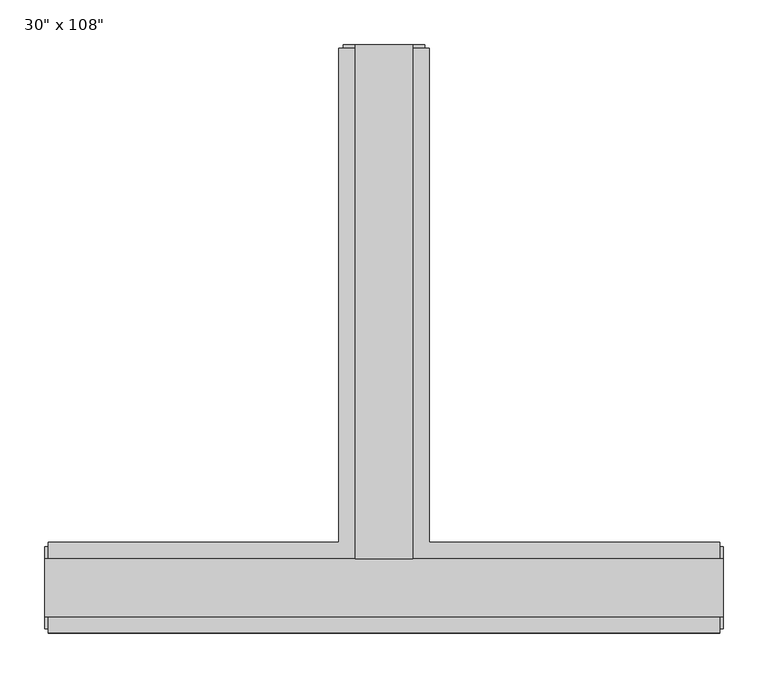
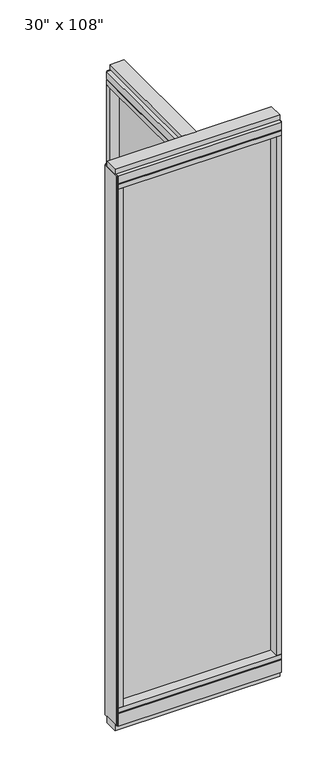
"""IFC4 building model written with IfcOpenShell, lengths in millimetres: furniture geometry."""

import ifcopenshell
import ifcopenshell.guid

model = None  # the IFC model being written
_history = None  # IfcOwnerHistory: only IFC2X3 demands one
_inside = {}  # id of a spatial element -> (the spatial element, [elements in it])
_under = {}  # id of a project, library or spatial element -> (it, [spatial elements below it])
_declared = {}  # id of a project -> (the project, [libraries it declares])
_typed = {}  # id of a type object -> (the type object, [elements of that type])
_made_of = {}  # id of a material, layer set ... -> (it, [elements and type objects made of it])


def new_model(schema):
    """Start an empty IFC model of exactly this schema.

    Asked for "IFC4X3", IfcOpenShell would pick the latest addendum, in which some entities
    have other attributes; the version numbers below select the first issue.
    IFC2X3 requires an IfcOwnerHistory on every rooted entity: one is made here for all.
    """
    global model, _history
    if schema == "IFC4X3":
        model = ifcopenshell.file(schema_version=(4, 3, 0, 0))
    else:
        model = ifcopenshell.file(schema=schema)
    _inside.clear()
    _under.clear()
    _declared.clear()
    _typed.clear()
    _made_of.clear()
    _history = None
    if model.schema == "IFC2X3":
        org = make("IfcOrganization", Name="unknown")
        user = make(
            "IfcPersonAndOrganization",
            ThePerson=make("IfcPerson", FamilyName="unknown"),
            TheOrganization=org,
        )
        app = make(
            "IfcApplication",
            ApplicationDeveloper=org,
            Version="unknown",
            ApplicationFullName="unknown",
            ApplicationIdentifier="unknown",
        )
        _history = make(
            "IfcOwnerHistory",
            OwningUser=user,
            OwningApplication=app,
            ChangeAction="ADDED",
            CreationDate=0,
        )
    return model


def make(cls, **values):
    """One entity of the class cls with the attributes given. An attribute that is None is left unset."""
    return model.create_entity(
        cls, **{name: value for name, value in values.items() if value is not None}
    )


def rooted(cls, **values):
    """An entity with a GlobalId (a new one), such as an element, a storey or a relation."""
    return make(cls, GlobalId=ifcopenshell.guid.new(), OwnerHistory=_history, **values)


def si_unit(unit_type, name, prefix=None):
    """IfcSIUnit, for example si_unit("LENGTHUNIT", "METRE", prefix="MILLI")."""
    return make("IfcSIUnit", UnitType=unit_type, Prefix=prefix, Name=name)


def assignment(units):
    """IfcUnitAssignment: the units of a project."""
    return None if units is None else make("IfcUnitAssignment", Units=units)


def point(xyz):
    """IfcCartesianPoint."""
    return None if xyz is None else make("IfcCartesianPoint", Coordinates=xyz)


def direction(xyz):
    """IfcDirection."""
    return None if xyz is None else make("IfcDirection", DirectionRatios=xyz)


def frame(location, z_axis=None, x_axis=None):
    """IfcAxis2Placement3D, a coordinate frame: its origin and axes. An axis left out is left unset."""
    return make(
        "IfcAxis2Placement3D",
        Location=point(location),
        Axis=direction(z_axis),
        RefDirection=direction(x_axis),
    )


def origin():
    """The frame at (0, 0, 0) with its axes left unset."""
    return frame((0.0, 0.0, 0.0))


def origin_with_axes():
    """The frame at (0, 0, 0) with the z axis (0, 0, 1) and the x axis (1, 0, 0) written out."""
    return frame((0.0, 0.0, 0.0), z_axis=(0.0, 0.0, 1.0), x_axis=(1.0, 0.0, 0.0))


def place(relative_to, where):
    """IfcLocalPlacement: puts the frame where relative to a parent placement (None: the world)."""
    return make(
        "IfcLocalPlacement", PlacementRelTo=relative_to, RelativePlacement=where
    )


def context(
    kind, dimensions, precision=None, world=None, true_north=None, identifier=None
):
    """IfcGeometricRepresentationContext, for example the 3D "Model" context."""
    return make(
        "IfcGeometricRepresentationContext",
        ContextIdentifier=identifier,
        ContextType=kind,
        CoordinateSpaceDimension=dimensions,
        Precision=precision,
        WorldCoordinateSystem=world,
        TrueNorth=true_north,
    )


def project(units=None, contexts=None):
    """IfcProject with its units and contexts."""
    return rooted(
        "IfcProject",
        Name="project",
        RepresentationContexts=contexts,
        UnitsInContext=assignment(units),
    )


def spatial(cls, under=None, at=None, **own):
    """A site, building, storey or space (cls), placed at a placement, below another one or the project."""
    s = rooted(cls, ObjectPlacement=at, **own)
    if under is not None:
        _under.setdefault(under.id(), (under, []))[1].append(s)
    return s


def polyline(points):
    """IfcPolyline through the points."""
    return make("IfcPolyline", Points=[point(p) for p in points])


def outline(outer, holes=None, kind="AREA"):
    """IfcArbitraryClosedProfileDef: a profile drawn as a closed curve; with holes, ...WithVoids."""
    if holes is None:
        return make("IfcArbitraryClosedProfileDef", ProfileType=kind, OuterCurve=outer)
    return make(
        "IfcArbitraryProfileDefWithVoids",
        ProfileType=kind,
        OuterCurve=outer,
        InnerCurves=holes,
    )


def extrude(swept, where, along, depth):
    """IfcExtrudedAreaSolid: the profile swept, set in the frame where, extruded along a direction by depth."""
    return make(
        "IfcExtrudedAreaSolid",
        SweptArea=swept,
        Position=where,
        ExtrudedDirection=direction(along),
        Depth=depth,
    )


def faces_of(points, faces, orient=None, outer=None):
    """IfcFace entities. A face is a list of loops; a loop is a list of indices into points, from 0.

    orient and outer hold one flag for each loop. By default every Orientation is true, the
    first loop of a face is its IfcFaceOuterBound and the others are IfcFaceBound.
    """
    made = []
    for i, loops in enumerate(faces):
        bounds = []
        for j, loop in enumerate(loops):
            is_outer = j == 0 if outer is None else outer[i][j]
            bounds.append(
                make(
                    "IfcFaceOuterBound" if is_outer else "IfcFaceBound",
                    Bound=make("IfcPolyLoop", Polygon=[points[k] for k in loop]),
                    Orientation=True if orient is None else orient[i][j],
                )
            )
        made.append(make("IfcFace", Bounds=bounds))
    return made


def faceted_brep(points, faces, orient=None, outer=None, voids=None):
    """IfcFacetedBrep: a solid bounded by flat faces; with voids (closed shells), ...WithVoids."""
    shared = [point(p) for p in points]
    hull = make("IfcClosedShell", CfsFaces=faces_of(shared, faces, orient, outer))
    if voids is None:
        return make("IfcFacetedBrep", Outer=hull)
    return make(
        "IfcFacetedBrepWithVoids",
        Outer=hull,
        Voids=[
            make(cls, CfsFaces=faces_of(shared, fs, o, b)) for cls, fs, o, b in voids
        ],
    )


def shape(context_of_items, identifier, shape_type, items):
    """IfcShapeRepresentation: the items that make up one representation, for example the "Body"."""
    return make(
        "IfcShapeRepresentation",
        ContextOfItems=context_of_items,
        RepresentationIdentifier=identifier,
        RepresentationType=shape_type,
        Items=items,
    )


def source(mapping_origin, context_of_items, identifier, shape_type, items):
    """IfcRepresentationMap: a shape defined once, which mapped items show again and again."""
    return make(
        "IfcRepresentationMap",
        MappingOrigin=mapping_origin,
        MappedRepresentation=shape(context_of_items, identifier, shape_type, items),
    )


def transform(
    local_origin,
    x_axis=None,
    y_axis=None,
    z_axis=None,
    scale=None,
    scale2=None,
    scale3=None,
    uniform=True,
):
    """IfcCartesianTransformationOperator3D, or its non-uniform kind. x_axis, y_axis, z_axis: its Axis1, 2, 3."""
    if uniform:
        return make(
            "IfcCartesianTransformationOperator3D",
            Axis1=direction(x_axis),
            Axis2=direction(y_axis),
            LocalOrigin=point(local_origin),
            Scale=scale,
            Axis3=direction(z_axis),
        )
    return make(
        "IfcCartesianTransformationOperator3DnonUniform",
        Axis1=direction(x_axis),
        Axis2=direction(y_axis),
        LocalOrigin=point(local_origin),
        Scale=scale,
        Axis3=direction(z_axis),
        Scale2=scale2,
        Scale3=scale3,
    )


def mapped(mapping_source, mapping_target):
    """IfcMappedItem: shows the shape of a source again, moved by a transform."""
    return make(
        "IfcMappedItem", MappingSource=mapping_source, MappingTarget=mapping_target
    )


def made_of(thing, what):
    """Note that an element or type object is made of a material, layer set ...; save() writes the relation."""
    if what is not None:
        _made_of.setdefault(what.id(), (what, []))[1].append(thing)
    return thing


def element(
    cls,
    number,
    at=None,
    inside=None,
    cuts=None,
    type_object=None,
    material=None,
    context=None,
    identifier="Body",
    shape_type=None,
    held_by="IfcProductDefinitionShape",
    body=None,
    shapes=None,
    **own,
):
    """One element of the class cls, such as IfcWall. Its Tag is "e" and its number.

    at: its placement. inside: the storey or other place that contains it. cuts: it is an
    opening in that element (IfcRelVoidsElement). A single representation is given by context,
    identifier, shape_type and body (its items); several are given by shapes. held_by: the class
    of the entity that holds the representations. save() writes the other relations.
    """
    e = rooted(cls, Tag="e%d" % number, ObjectPlacement=at, **own)
    if body is not None:
        shapes = [shape(context, identifier, shape_type, body)]
    if shapes is not None:
        e.Representation = make(held_by, Representations=shapes)
    if inside is not None:
        _inside.setdefault(inside.id(), (inside, []))[1].append(e)
    if cuts is not None:
        rooted(
            "IfcRelVoidsElement", RelatingBuildingElement=cuts, RelatedOpeningElement=e
        )
    if type_object is not None:
        _typed.setdefault(type_object.id(), (type_object, []))[1].append(e)
    return made_of(e, material)


def aggregate(whole, parts):
    """IfcRelAggregates: a whole, such as a stair, and the parts it consists of."""
    return rooted("IfcRelAggregates", RelatingObject=whole, RelatedObjects=parts)


def save(model, path):
    """Write the relations noted so far, then the file.

    IfcRelAggregates (storeys below a building ...), IfcRelContainedInSpatialStructure (elements
    in a storey), IfcRelDefinesByType, IfcRelAssociatesMaterial and IfcRelDeclares: one each for
    every whole, place, type object, material and project.
    """
    for whole, parts in _under.values():
        aggregate(whole, parts)
    for where, things in _inside.values():
        rooted(
            "IfcRelContainedInSpatialStructure",
            RelatedElements=things,
            RelatingStructure=where,
        )
    for kind, things in _typed.values():
        rooted("IfcRelDefinesByType", RelatedObjects=things, RelatingType=kind)
    for what, things in _made_of.values():
        rooted("IfcRelAssociatesMaterial", RelatedObjects=things, RelatingMaterial=what)
    for by, libraries in _declared.values():
        rooted("IfcRelDeclares", RelatingContext=by, RelatedDefinitions=libraries)
    model.write(path)


def furniture_9dcc1d1b(model_context):
    return source(origin(), model_context, "Body", "SolidModel", [
        extrude(outline(polyline([(-65.1165229, 0.5622784), (-65.1165229, 578.9202784), (-54.9565229, 578.9202784), (-54.9565229, 0.5622784), (-65.1165229, 0.5622784)])), frame((0.0, 0.0, 120.65), z_axis=(0.0, 0.0, 1.0), x_axis=(1.0, 0.0, 0.0)), (0.0, 0.0, 1.0), 2533.777),
        extrude(outline(polyline([(294.8014771, -9.5977216), (-414.8745229, -9.5977216), (-414.8745229, 0.5622784), (294.8014771, 0.5622784), (294.8014771, -9.5977216)])), frame((0.0, 0.0, 120.523), z_axis=(0.0, 0.0, 1.0), x_axis=(1.0, 0.0, 0.0)), (0.0, 0.0, 1.0), 2533.777),
        extrude(outline(polyline([(-110.8365229, 601.1452784), (-9.2365229, 601.1452784), (-9.2365229, 46.2822784), (317.0264771, 46.2822784), (317.0264771, -55.3177216), (-437.0995229, -55.3177216), (-437.0995229, 46.2822784), (-110.8365229, 46.2822784), (-110.8365229, 601.1452784)])), frame((0.0, 0.0, 2654.3), z_axis=(0.0, 0.0, 1.0), x_axis=(1.0, 0.0, 0.0)), (0.0, 0.0, 1.0), 22.225),
        faceted_brep([(-105.8835229, 46.2822784, 2681.478), (-105.8835229, 46.2822784, 2676.525), (-14.1895229, 46.2822784, 2676.525), (-14.1895229, 46.2822784, 2681.478), (-9.2365229, 601.1452784, 2681.478), (-14.1895229, 601.1452784, 2681.478), (-14.1895229, 601.1452784, 2676.525), (-105.8835229, 601.1452784, 2676.525), (-105.8835229, 601.1452784, 2681.478), (-110.8365229, 601.1452784, 2681.478), (-110.8365229, 601.1452784, 2717.8), (-9.2365229, 601.1452784, 2717.8), (-9.2365229, 46.2822784, 2681.478), (317.0264771, 46.2822784, 2681.478), (317.0264771, 41.3292784, 2681.478), (-437.0995229, 41.3292784, 2681.478), (-437.0995229, 46.2822784, 2681.478), (-110.8365229, 46.2822784, 2681.478), (-110.8365229, 46.2822784, 2717.8), (-437.0995229, 46.2822784, 2717.8), (-437.0995229, -55.3177216, 2717.8), (317.0264771, -55.3177216, 2717.8), (317.0264771, 46.2822784, 2717.8), (-9.2365229, 46.2822784, 2717.8), (-437.0995229, -55.3177216, 2681.478), (-437.0995229, 41.3292784, 2676.525), (-437.0995229, -50.3647216, 2676.525), (-437.0995229, -50.3647216, 2681.478), (317.0264771, -55.3177216, 2681.478), (317.0264771, -50.3647216, 2681.478), (317.0264771, -50.3647216, 2676.525), (317.0264771, 41.3292784, 2676.525)], [[[0, 1, 2, 3]], [[4, 5, 6, 7, 8, 9, 10, 11]], [[5, 4, 12, 13, 14, 15, 16, 17, 9, 8, 0, 3]], [[3, 2, 6, 5]], [[2, 1, 7, 6]], [[1, 0, 8, 7]], [[10, 9, 17, 18]], [[11, 10, 18, 19, 20, 21, 22, 23]], [[4, 11, 23, 12]], [[24, 20, 19, 16, 15, 25, 26, 27]], [[28, 29, 30, 31, 14, 13, 22, 21]], [[24, 27, 29, 28]], [[16, 19, 18, 17]], [[22, 13, 12, 23]], [[20, 24, 28, 21]], [[25, 15, 14, 31]], [[26, 25, 31, 30]], [[27, 26, 30, 29]]]),
        faceted_brep([(-14.1895229, 46.2822784, 93.345), (-14.1895229, 46.2822784, 98.298), (-105.8835229, 46.2822784, 98.298), (-105.8835229, 46.2822784, 93.345), (-9.2365229, 601.1452784, 93.345), (-9.2365229, 601.1452784, 31.75), (-110.8365229, 601.1452784, 31.75), (-110.8365229, 601.1452784, 93.345), (-105.8835229, 601.1452784, 93.345), (-105.8835229, 601.1452784, 98.298), (-14.1895229, 601.1452784, 98.298), (-14.1895229, 601.1452784, 93.345), (-110.8365229, 46.2822784, 93.345), (-437.0995229, 46.2822784, 93.345), (-437.0995229, 41.3292784, 93.345), (317.0264771, 41.3292784, 93.345), (317.0264771, 46.2822784, 93.345), (-9.2365229, 46.2822784, 93.345), (-110.8365229, 46.2822784, 31.75), (-9.2365229, 46.2822784, 31.75), (317.0264771, 46.2822784, 31.75), (317.0264771, -55.3177216, 31.75), (-437.0995229, -55.3177216, 31.75), (-437.0995229, 46.2822784, 31.75), (317.0264771, -55.3177216, 93.345), (317.0264771, 41.3292784, 98.298), (317.0264771, -50.3647216, 98.298), (317.0264771, -50.3647216, 93.345), (-437.0995229, -55.3177216, 93.345), (-437.0995229, -50.3647216, 93.345), (-437.0995229, -50.3647216, 98.298), (-437.0995229, 41.3292784, 98.298)], [[[0, 1, 2, 3]], [[4, 5, 6, 7, 8, 9, 10, 11]], [[4, 11, 0, 3, 8, 7, 12, 13, 14, 15, 16, 17]], [[1, 0, 11, 10]], [[2, 1, 10, 9]], [[3, 2, 9, 8]], [[7, 6, 18, 12]], [[6, 5, 19, 20, 21, 22, 23, 18]], [[5, 4, 17, 19]], [[24, 21, 20, 16, 15, 25, 26, 27]], [[28, 29, 30, 31, 14, 13, 23, 22]], [[24, 27, 29, 28]], [[16, 20, 19, 17]], [[23, 13, 12, 18]], [[21, 24, 28, 22]], [[25, 15, 14, 31]], [[26, 25, 31, 30]], [[27, 26, 30, 29]]]),
        extrude(outline(polyline([(-110.8365229, 601.1452784), (-9.2365229, 601.1452784), (-9.2365229, 46.2822784), (317.0264771, 46.2822784), (317.0264771, -55.3177216), (-437.0995229, -55.3177216), (-437.0995229, 46.2822784), (-110.8365229, 46.2822784), (-110.8365229, 601.1452784)])), frame((0.0, 0.0, 98.298), z_axis=(0.0, 0.0, 1.0), x_axis=(1.0, 0.0, 0.0)), (0.0, 0.0, 1.0), 22.225),
        extrude(outline(polyline([(-27.5245229, 27.9942784), (-92.5485229, 27.9942784), (-92.5485229, 605.0822784), (-27.5245229, 605.0822784), (-27.5245229, 27.9942784)])), origin_with_axes(), (0.0, 0.0, 1.0), 31.75),
        extrude(outline(polyline([(-9.2365229, 601.1452784), (-9.2365229, 578.9202784), (-110.8365229, 578.9202784), (-110.8365229, 601.1452784), (-9.2365229, 601.1452784)])), frame((0.0, 0.0, 120.523), z_axis=(0.0, 0.0, 1.0), x_axis=(1.0, 0.0, 0.0)), (0.0, 0.0, 1.0), 2533.777),
        extrude(outline(polyline([(-14.1895229, 605.0822784), (-14.1895229, 601.1452784), (-105.8835229, 601.1452784), (-105.8835229, 605.0822784), (-14.1895229, 605.0822784)])), frame((0.0, 0.0, 31.75), z_axis=(0.0, 0.0, 1.0), x_axis=(1.0, 0.0, 0.0)), (0.0, 0.0, 1.0), 2686.05),
        extrude(outline(polyline([(-27.5245229, 27.9942784), (-92.5485229, 27.9942784), (-92.5485229, 605.0822784), (-27.5245229, 605.0822784), (-27.5245229, 27.9942784)])), frame((0.0, 0.0, 2717.8), z_axis=(0.0, 0.0, 1.0), x_axis=(1.0, 0.0, 0.0)), (0.0, 0.0, 1.0), 25.4),
        extrude(outline(polyline([(320.9634771, 27.9942784), (320.9634771, -37.0297216), (-441.0365229, -37.0297216), (-441.0365229, 27.9942784), (320.9634771, 27.9942784)])), origin_with_axes(), (0.0, 0.0, 1.0), 31.75),
        extrude(outline(polyline([(-441.0365229, -37.0297216), (-441.0365229, 27.9942784), (320.9634771, 27.9942784), (320.9634771, -37.0297216), (-441.0365229, -37.0297216)])), frame((0.0, 0.0, 2717.8), z_axis=(0.0, 0.0, 1.0), x_axis=(1.0, 0.0, 0.0)), (0.0, 0.0, 1.0), 25.4),
        extrude(outline(polyline([(294.8014771, -55.3177216), (294.8014771, 46.2822784), (317.0264771, 46.2822784), (317.0264771, -55.3177216), (294.8014771, -55.3177216)])), frame((0.0, 0.0, 120.523), z_axis=(0.0, 0.0, 1.0), x_axis=(1.0, 0.0, 0.0)), (0.0, 0.0, 1.0), 2533.777),
        extrude(outline(polyline([(-414.8745229, -55.3177216), (-437.0995229, -55.3177216), (-437.0995229, 46.2822784), (-414.8745229, 46.2822784), (-414.8745229, -55.3177216)])), frame((0.0, 0.0, 120.523), z_axis=(0.0, 0.0, 1.0), x_axis=(1.0, 0.0, 0.0)), (0.0, 0.0, 1.0), 2533.777),
        extrude(outline(polyline([(320.9634771, -50.3647216), (317.0264771, -50.3647216), (317.0264771, 41.3292784), (320.9634771, 41.3292784), (320.9634771, -50.3647216)])), frame((0.0, 0.0, 31.75), z_axis=(0.0, 0.0, 1.0), x_axis=(1.0, 0.0, 0.0)), (0.0, 0.0, 1.0), 2686.05),
        extrude(outline(polyline([(-441.0365229, -50.3647216), (-441.0365229, 41.3292784), (-437.0995229, 41.3292784), (-437.0995229, -50.3647216), (-441.0365229, -50.3647216)])), frame((0.0, 0.0, 31.75), z_axis=(0.0, 0.0, 1.0), x_axis=(1.0, 0.0, 0.0)), (0.0, 0.0, 1.0), 2686.05),
    ])


if __name__ == "__main__":
    model = new_model("IFC4")
    model_context = context("Model", 3, world=origin())
    ifc_project = project(units=[si_unit("LENGTHUNIT", "METRE", prefix="MILLI")], contexts=[model_context])
    site = spatial("IfcSite", under=ifc_project)
    building = spatial("IfcBuilding", under=site)
    placement = place(None, origin())
    furniture_shape = furniture_9dcc1d1b(model_context)
    element("IfcFurniture", 1, ObjectType="30\" x 108\"", at=placement, inside=building, context=model_context, shape_type="MappedRepresentation", body=[
        mapped(furniture_shape, transform((0.0, 0.0, 0.0), x_axis=(1.0, 0.0, 0.0), y_axis=(0.0, 1.0, 0.0), z_axis=(0.0, 0.0, 1.0))),
    ])
    save(model, "model.ifc")
